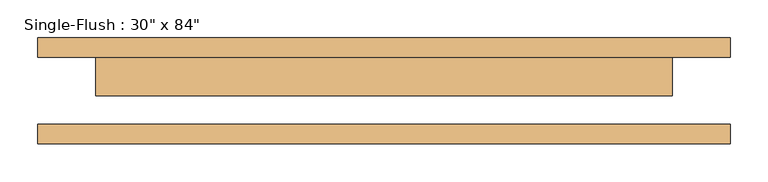
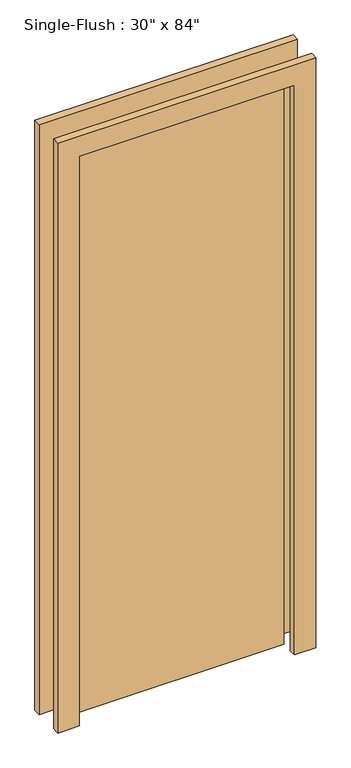
"""IFC4 building model written with IfcOpenShell, lengths in millimetres: door geometry."""

from ifc_helpers import new_model, si_unit, frame, origin, origin_with_axes, place, context, project, spatial, polyline, outline, extrude, source, transform, mapped, element, save


def door_96857f77(model_context):
    return source(origin(), model_context, "Body", "SweptSolid", [
        extrude(outline(polyline([(2209.8, -457.2), (0.0, -457.2), (0.0, -381.0), (2133.6, -381.0), (2133.6, 381.0), (0.0, 381.0), (0.0, 457.2), (2209.8, 457.2), (2209.8, -457.2)])), frame((0.0, 44.45, 0.0), z_axis=(0.0, 1.0, 0.0), x_axis=(0.0, 0.0, 1.0)), (0.0, 0.0, 1.0), 25.4),
        extrude(outline(polyline([(2209.8, 457.2), (2209.8, -457.2), (0.0, -457.2), (0.0, -381.0), (2133.6, -381.0), (2133.6, 381.0), (0.0, 381.0), (0.0, 457.2), (2209.8, 457.2)])), frame((0.0, -69.85, 0.0), z_axis=(0.0, 1.0, 0.0), x_axis=(0.0, 0.0, 1.0)), (0.0, 0.0, 1.0), 25.4),
        extrude(outline(polyline([(381.0, -6.35), (-381.0, -6.35), (-381.0, 44.45), (381.0, 44.45), (381.0, -6.35)])), origin_with_axes(), (0.0, 0.0, 1.0), 2133.6),
    ])


if __name__ == "__main__":
    model = new_model("IFC4")
    model_context = context("Model", 3, world=origin())
    ifc_project = project(units=[si_unit("LENGTHUNIT", "METRE", prefix="MILLI")], contexts=[model_context])
    site = spatial("IfcSite", under=ifc_project)
    building = spatial("IfcBuilding", under=site)
    placement = place(None, origin())
    door_shape = door_96857f77(model_context)
    element("IfcDoor", 1, ObjectType="Single-Flush : 30\" x 84\"", at=placement, inside=building, context=model_context, shape_type="MappedRepresentation", body=[
        mapped(door_shape, transform((0.0, 0.0, 0.0), x_axis=(1.0, 0.0, 0.0), y_axis=(0.0, 1.0, 0.0), z_axis=(0.0, 0.0, 1.0))),
    ])
    save(model, "model.ifc")
